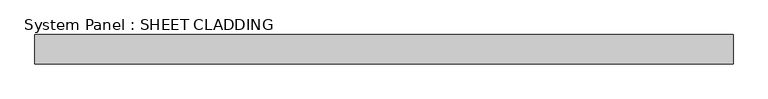
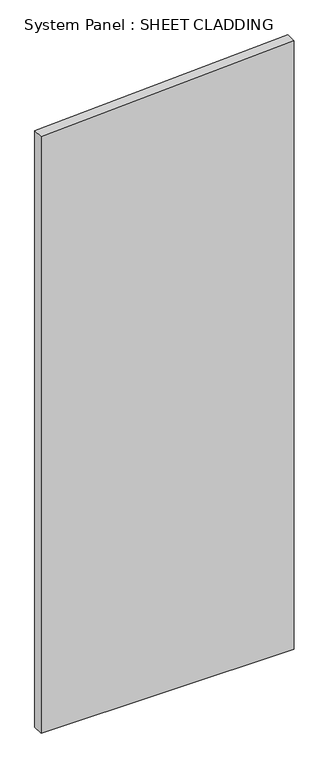
"""IFC4 building model written with IfcOpenShell, lengths in millimetres: plate geometry, System Panel : SHEET CLADDING."""

from ifc_helpers import new_model, si_unit, frame, origin, place, context, project, spatial, polyline, outline, extrude, source, transform, mapped, element, save


def system_panel_sheet_cladding_0a9da170(model_context):
    return source(origin(), model_context, "Body", "SweptSolid", [
        extrude(outline(polyline([(0.0, -718.75), (0.0, 718.75), (3647.6, 718.75), (3575.725, -718.75), (0.0, -718.75)])), frame((0.0, -49.5, 0.0), z_axis=(0.0, 1.0, 0.0), x_axis=(0.0, 0.0, 1.0)), (0.0, 0.0, 1.0), 60.0),
    ])


if __name__ == "__main__":
    model = new_model("IFC4")
    model_context = context("Model", 3, world=origin())
    ifc_project = project(units=[si_unit("LENGTHUNIT", "METRE", prefix="MILLI")], contexts=[model_context])
    site = spatial("IfcSite", under=ifc_project)
    building = spatial("IfcBuilding", under=site)
    placement = place(None, origin())
    system_panel_sheet_cladding_shape = system_panel_sheet_cladding_0a9da170(model_context)
    element("IfcPlate", 1, ObjectType="System Panel : SHEET CLADDING", at=placement, inside=building, context=model_context, shape_type="MappedRepresentation", body=[
        mapped(system_panel_sheet_cladding_shape, transform((0.0, 0.0, 0.0), x_axis=(1.0, 0.0, 0.0), y_axis=(0.0, 1.0, 0.0), z_axis=(0.0, 0.0, 1.0))),
    ])
    save(model, "model.ifc")
